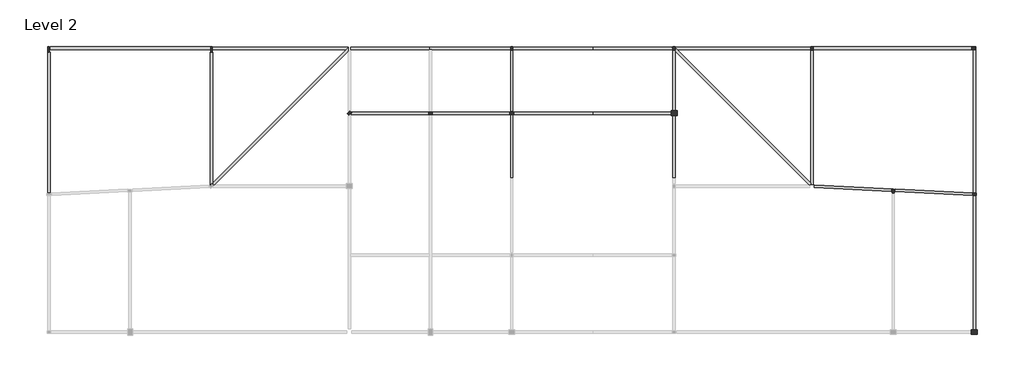
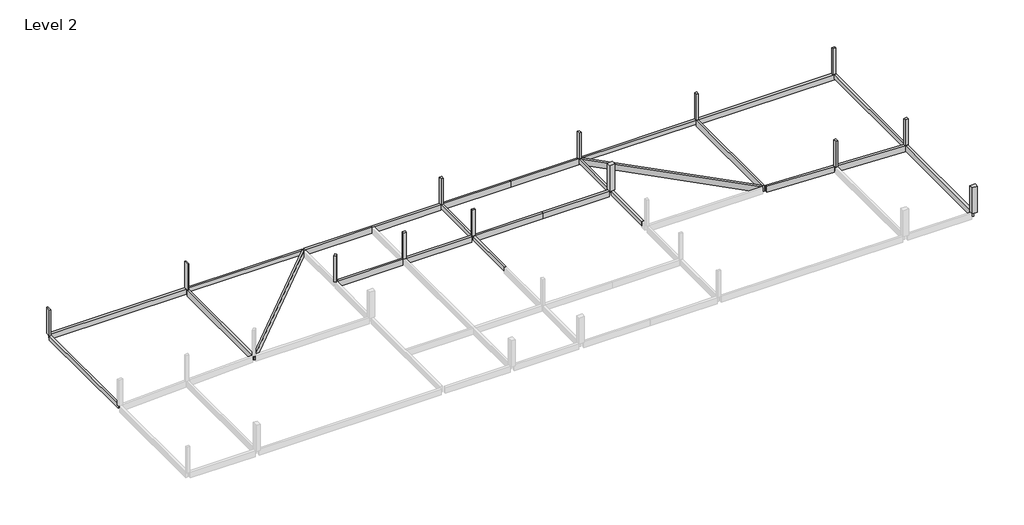
# One storey, part 2 of 2: 22 beams, 13 columns.
"""IFC4 building model written with IfcOpenShell, lengths in millimetres."""

import ifcopenshell
import ifcopenshell.guid

model = None  # the IFC model being written
_history = None  # IfcOwnerHistory: only IFC2X3 demands one
_inside = {}  # id of a spatial element -> (the spatial element, [elements in it])
_under = {}  # id of a project, library or spatial element -> (it, [spatial elements below it])
_declared = {}  # id of a project -> (the project, [libraries it declares])
_typed = {}  # id of a type object -> (the type object, [elements of that type])
_made_of = {}  # id of a material, layer set ... -> (it, [elements and type objects made of it])


def new_model(schema):
    """Start an empty IFC model of exactly this schema.

    Asked for "IFC4X3", IfcOpenShell would pick the latest addendum, in which some entities
    have other attributes; the version numbers below select the first issue.
    IFC2X3 requires an IfcOwnerHistory on every rooted entity: one is made here for all.
    """
    global model, _history
    if schema == "IFC4X3":
        model = ifcopenshell.file(schema_version=(4, 3, 0, 0))
    else:
        model = ifcopenshell.file(schema=schema)
    _inside.clear()
    _under.clear()
    _declared.clear()
    _typed.clear()
    _made_of.clear()
    _history = None
    if model.schema == "IFC2X3":
        org = make("IfcOrganization", Name="unknown")
        user = make(
            "IfcPersonAndOrganization",
            ThePerson=make("IfcPerson", FamilyName="unknown"),
            TheOrganization=org,
        )
        app = make(
            "IfcApplication",
            ApplicationDeveloper=org,
            Version="unknown",
            ApplicationFullName="unknown",
            ApplicationIdentifier="unknown",
        )
        _history = make(
            "IfcOwnerHistory",
            OwningUser=user,
            OwningApplication=app,
            ChangeAction="ADDED",
            CreationDate=0,
        )
    return model


def make(cls, **values):
    """One entity of the class cls with the attributes given. An attribute that is None is left unset."""
    return model.create_entity(
        cls, **{name: value for name, value in values.items() if value is not None}
    )


def rooted(cls, **values):
    """An entity with a GlobalId (a new one), such as an element, a storey or a relation."""
    return make(cls, GlobalId=ifcopenshell.guid.new(), OwnerHistory=_history, **values)


def si_unit(unit_type, name, prefix=None):
    """IfcSIUnit, for example si_unit("LENGTHUNIT", "METRE", prefix="MILLI")."""
    return make("IfcSIUnit", UnitType=unit_type, Prefix=prefix, Name=name)


def assignment(units):
    """IfcUnitAssignment: the units of a project."""
    return None if units is None else make("IfcUnitAssignment", Units=units)


def point(xyz):
    """IfcCartesianPoint."""
    return None if xyz is None else make("IfcCartesianPoint", Coordinates=xyz)


def direction(xyz):
    """IfcDirection."""
    return None if xyz is None else make("IfcDirection", DirectionRatios=xyz)


def frame(location, z_axis=None, x_axis=None):
    """IfcAxis2Placement3D, a coordinate frame: its origin and axes. An axis left out is left unset."""
    return make(
        "IfcAxis2Placement3D",
        Location=point(location),
        Axis=direction(z_axis),
        RefDirection=direction(x_axis),
    )


def origin():
    """The frame at (0, 0, 0) with its axes left unset."""
    return frame((0.0, 0.0, 0.0))


def place(relative_to, where):
    """IfcLocalPlacement: puts the frame where relative to a parent placement (None: the world)."""
    return make(
        "IfcLocalPlacement", PlacementRelTo=relative_to, RelativePlacement=where
    )


def context(
    kind, dimensions, precision=None, world=None, true_north=None, identifier=None
):
    """IfcGeometricRepresentationContext, for example the 3D "Model" context."""
    return make(
        "IfcGeometricRepresentationContext",
        ContextIdentifier=identifier,
        ContextType=kind,
        CoordinateSpaceDimension=dimensions,
        Precision=precision,
        WorldCoordinateSystem=world,
        TrueNorth=true_north,
    )


def project(units=None, contexts=None):
    """IfcProject with its units and contexts."""
    return rooted(
        "IfcProject",
        Name="project",
        RepresentationContexts=contexts,
        UnitsInContext=assignment(units),
    )


def spatial(cls, under=None, at=None, **own):
    """A site, building, storey or space (cls), placed at a placement, below another one or the project."""
    s = rooted(cls, ObjectPlacement=at, **own)
    if under is not None:
        _under.setdefault(under.id(), (under, []))[1].append(s)
    return s


def polyline(points):
    """IfcPolyline through the points."""
    return make("IfcPolyline", Points=[point(p) for p in points])


def outline(outer, holes=None, kind="AREA"):
    """IfcArbitraryClosedProfileDef: a profile drawn as a closed curve; with holes, ...WithVoids."""
    if holes is None:
        return make("IfcArbitraryClosedProfileDef", ProfileType=kind, OuterCurve=outer)
    return make(
        "IfcArbitraryProfileDefWithVoids",
        ProfileType=kind,
        OuterCurve=outer,
        InnerCurves=holes,
    )


def extrude(swept, where, along, depth):
    """IfcExtrudedAreaSolid: the profile swept, set in the frame where, extruded along a direction by depth."""
    return make(
        "IfcExtrudedAreaSolid",
        SweptArea=swept,
        Position=where,
        ExtrudedDirection=direction(along),
        Depth=depth,
    )


def faces_of(points, faces, orient=None, outer=None):
    """IfcFace entities. A face is a list of loops; a loop is a list of indices into points, from 0.

    orient and outer hold one flag for each loop. By default every Orientation is true, the
    first loop of a face is its IfcFaceOuterBound and the others are IfcFaceBound.
    """
    made = []
    for i, loops in enumerate(faces):
        bounds = []
        for j, loop in enumerate(loops):
            is_outer = j == 0 if outer is None else outer[i][j]
            bounds.append(
                make(
                    "IfcFaceOuterBound" if is_outer else "IfcFaceBound",
                    Bound=make("IfcPolyLoop", Polygon=[points[k] for k in loop]),
                    Orientation=True if orient is None else orient[i][j],
                )
            )
        made.append(make("IfcFace", Bounds=bounds))
    return made


def faceted_brep(points, faces, orient=None, outer=None, voids=None):
    """IfcFacetedBrep: a solid bounded by flat faces; with voids (closed shells), ...WithVoids."""
    shared = [point(p) for p in points]
    hull = make("IfcClosedShell", CfsFaces=faces_of(shared, faces, orient, outer))
    if voids is None:
        return make("IfcFacetedBrep", Outer=hull)
    return make(
        "IfcFacetedBrepWithVoids",
        Outer=hull,
        Voids=[
            make(cls, CfsFaces=faces_of(shared, fs, o, b)) for cls, fs, o, b in voids
        ],
    )


def shape(context_of_items, identifier, shape_type, items):
    """IfcShapeRepresentation: the items that make up one representation, for example the "Body"."""
    return make(
        "IfcShapeRepresentation",
        ContextOfItems=context_of_items,
        RepresentationIdentifier=identifier,
        RepresentationType=shape_type,
        Items=items,
    )


def made_of(thing, what):
    """Note that an element or type object is made of a material, layer set ...; save() writes the relation."""
    if what is not None:
        _made_of.setdefault(what.id(), (what, []))[1].append(thing)
    return thing


def element(
    cls,
    number,
    at=None,
    inside=None,
    cuts=None,
    type_object=None,
    material=None,
    context=None,
    identifier="Body",
    shape_type=None,
    held_by="IfcProductDefinitionShape",
    body=None,
    shapes=None,
    **own,
):
    """One element of the class cls, such as IfcWall. Its Tag is "e" and its number.

    at: its placement. inside: the storey or other place that contains it. cuts: it is an
    opening in that element (IfcRelVoidsElement). A single representation is given by context,
    identifier, shape_type and body (its items); several are given by shapes. held_by: the class
    of the entity that holds the representations. save() writes the other relations.
    """
    e = rooted(cls, Tag="e%d" % number, ObjectPlacement=at, **own)
    if body is not None:
        shapes = [shape(context, identifier, shape_type, body)]
    if shapes is not None:
        e.Representation = make(held_by, Representations=shapes)
    if inside is not None:
        _inside.setdefault(inside.id(), (inside, []))[1].append(e)
    if cuts is not None:
        rooted(
            "IfcRelVoidsElement", RelatingBuildingElement=cuts, RelatedOpeningElement=e
        )
    if type_object is not None:
        _typed.setdefault(type_object.id(), (type_object, []))[1].append(e)
    return made_of(e, material)


def aggregate(whole, parts):
    """IfcRelAggregates: a whole, such as a stair, and the parts it consists of."""
    return rooted("IfcRelAggregates", RelatingObject=whole, RelatedObjects=parts)


def save(model, path):
    """Write the relations noted so far, then the file.

    IfcRelAggregates (storeys below a building ...), IfcRelContainedInSpatialStructure (elements
    in a storey), IfcRelDefinesByType, IfcRelAssociatesMaterial and IfcRelDeclares: one each for
    every whole, place, type object, material and project.
    """
    for whole, parts in _under.values():
        aggregate(whole, parts)
    for where, things in _inside.values():
        rooted(
            "IfcRelContainedInSpatialStructure",
            RelatedElements=things,
            RelatingStructure=where,
        )
    for kind, things in _typed.values():
        rooted("IfcRelDefinesByType", RelatedObjects=things, RelatingType=kind)
    for what, things in _made_of.values():
        rooted("IfcRelAssociatesMaterial", RelatedObjects=things, RelatingMaterial=what)
    for by, libraries in _declared.values():
        rooted("IfcRelDeclares", RelatingContext=by, RelatedDefinitions=libraries)
    model.write(path)


model = new_model("IFC4")

# Units and contexts
model_context = context("Model", 3, world=origin())
ifc_project = project(units=[si_unit("LENGTHUNIT", "METRE", prefix="MILLI")], contexts=[model_context])

# Site, building, storey
site = spatial("IfcSite", under=ifc_project)
building = spatial("IfcBuilding", under=site)
storey = spatial("IfcBuildingStorey", under=building, Name="Level 2", Elevation=4000.0)

# Beams
placement = place(None, origin())
element("IfcBeam", 1, ObjectType="M_Concrete-Rectangular Beam : 300 x 600mm", at=placement, inside=storey, context=model_context, shape_type="SweptSolid", body=[
    extrude(outline(polyline([(-15472.6221164, 9458.1174774), (-15172.6221164, 9458.1174774), (-15172.6221164, -7809.1014481), (-15472.6221164, -7824.1014481), (-15472.6221164, 9458.1174774)])), frame((0.0, 0.0, 3400.0), z_axis=(0.0, 0.0, 1.0), x_axis=(1.0, 0.0, 0.0)), (0.0, 0.0, 1.0), 600.0),
])
element("IfcBeam", 2, ObjectType="M_Concrete-Rectangular Beam : 300 x 600mm", at=placement, inside=storey, context=model_context, shape_type="SweptSolid", body=[
    extrude(outline(polyline([(4827.3778836, 9808.1174774), (4827.3778836, 10108.1174774), (21527.3778836, 10108.1174774), (21527.3778836, 10020.2495118), (21315.2458493, 9808.1174774), (4827.3778836, 9808.1174774)])), frame((0.0, 0.0, 3400.0), z_axis=(0.0, 0.0, 1.0), x_axis=(1.0, 0.0, 0.0)), (0.0, 0.0, 1.0), 600.0),
])
element("IfcBeam", 3, ObjectType="M_Concrete-Rectangular Beam : 300 x 600mm", at=placement, inside=storey, context=model_context, shape_type="SweptSolid", body=[
    extrude(outline(polyline([(41827.3778836, -6041.8825226), (41527.3778836, -6041.8825226), (41527.3778836, 1733.1174774), (41827.3778836, 1733.1174774), (41827.3778836, -6041.8825226)])), frame((0.0, 0.0, 3400.0), z_axis=(0.0, 0.0, 1.0), x_axis=(1.0, 0.0, 0.0)), (0.0, 0.0, 1.0), 600.0),
    extrude(outline(polyline([(41527.3778836, 9733.1174774), (41827.3778836, 9733.1174774), (41827.3778836, 2183.1174774), (41527.3778836, 2183.1174774), (41527.3778836, 9733.1174774)])), frame((0.0, 0.0, 3400.0), z_axis=(0.0, 0.0, 1.0), x_axis=(1.0, 0.0, 0.0)), (0.0, 0.0, 1.0), 600.0),
])
element("IfcBeam", 4, ObjectType="M_Concrete-Rectangular Beam : 300 x 600mm", at=placement, inside=storey, context=model_context, shape_type="SweptSolid", body=[
    extrude(outline(polyline([(98527.3778836, 9758.1174774), (98827.3778836, 9758.1174774), (98827.3778836, -7891.8825226), (98681.1255428, -7891.8825226), (98527.3778836, -7884.1951396), (98527.3778836, 9758.1174774)])), frame((0.0, 0.0, 3400.0), z_axis=(0.0, 0.0, 1.0), x_axis=(1.0, 0.0, 0.0)), (0.0, 0.0, 1.0), 600.0),
])
element("IfcBeam", 5, ObjectType="M_Concrete-Rectangular Beam : 300 x 600mm", at=placement, inside=storey, context=model_context, shape_type="SweptSolid", body=[
    extrude(outline(polyline([(78527.3778836, 10108.1174774), (78527.3778836, 9808.1174774), (62039.509918, 9808.1174774), (61827.3778836, 10020.2495118), (61827.3778836, 10108.1174774), (78527.3778836, 10108.1174774)])), frame((0.0, 0.0, 3400.0), z_axis=(0.0, 0.0, 1.0), x_axis=(1.0, 0.0, 0.0)), (0.0, 0.0, 1.0), 600.0),
])
element("IfcBeam", 6, ObjectType="M_Concrete-Rectangular Beam : 300 x 600mm", at=placement, inside=storey, context=model_context, shape_type="SweptSolid", body=[
    extrude(outline(polyline([(61827.3778836, -6041.8825226), (61527.3778836, -6041.8825226), (61527.3778836, 1658.1174774), (61827.3778836, 1658.1174774), (61827.3778836, -6041.8825226)])), frame((0.0, 0.0, 3400.0), z_axis=(0.0, 0.0, 1.0), x_axis=(1.0, 0.0, 0.0)), (0.0, 0.0, 1.0), 600.0),
    extrude(outline(polyline([(61690.2458493, 9733.1174774), (61827.3778836, 9595.9854431), (61827.3778836, 2258.1174774), (61527.3778836, 2258.1174774), (61527.3778836, 9733.1174774), (61690.2458493, 9733.1174774)])), frame((0.0, 0.0, 3400.0), z_axis=(0.0, 0.0, 1.0), x_axis=(1.0, 0.0, 0.0)), (0.0, 0.0, 1.0), 600.0),
])
element("IfcBeam", 7, ObjectType="M_Concrete-Rectangular Beam : 300 x 900mm", at=placement, inside=storey, context=model_context, shape_type="Brep", body=[
    faceted_brep([(4827.3778836, 9458.1174774, 4000.0), (4527.3778836, 9458.1174774, 4000.0), (4527.3778836, -6873.684471, 4000.0), (4730.4108922, -6670.6514625, 4000.0), (4827.3778836, -6767.6184539, 4000.0), (4827.3778836, -6679.7504882, 4000.0), (4527.3778836, 9458.1174774, 3100.0), (4527.3778836, -6873.684471, 3100.0), (4827.3778836, 9458.1174774, 3100.0), (4827.3778836, -6679.7504882, 3100.0), (4827.3778836, -6767.6184539, 3100.0), (4730.4108922, -6670.6514625, 3100.0)], [[[0, 1, 2, 3, 4, 5]], [[1, 6, 7, 2]], [[6, 8, 9, 10, 11, 7]], [[8, 0, 5, 4, 10, 9]], [[1, 0, 8, 6]], [[11, 3, 2, 7]], [[3, 11, 10, 4]]]),
])
element("IfcBeam", 8, ObjectType="M_Concrete-Rectangular Beam : 300 x 900mm", at=placement, inside=storey, context=model_context, shape_type="Brep", body=[
    faceted_brep([(21527.3778836, 10020.2495118, 4000.0), (21315.2458493, 9808.1174774, 4000.0), (4827.3778836, -6679.7504882, 4000.0), (4827.3778836, -6767.6184539, 4000.0), (4995.5759351, -6935.8165054, 4000.0), (5039.509918, -6891.8825226, 4000.0), (21527.3778836, 9595.9854431, 4000.0), (21539.509918, 9608.1174774, 4000.0), (21527.3778836, 9608.1174774, 4000.0), (21539.509918, 9608.1174774, 3100.0), (4995.5759351, -6935.8165054, 3100.0), (5039.509918, -6891.8825226, 3100.0), (21527.3778836, 9595.9854431, 3100.0), (4827.3778836, -6679.7504882, 3100.0), (21527.3778836, 10020.2495118, 3100.0), (21527.3778836, 9608.1174774, 3100.0), (4827.3778836, -6767.6184539, 3100.0), (21527.3778836, 10020.2495118, 3400.0)], [[[0, 1, 2, 3, 4, 5, 6, 7, 8]], [[9, 7, 6, 5, 4, 10, 11, 12]], [[13, 14, 15, 9, 12, 11, 10, 16]], [[13, 2, 1, 0, 17, 14]], [[2, 13, 16, 3]], [[15, 8, 7, 9]], [[8, 15, 14, 17, 0]], [[4, 3, 16, 10]]]),
])
element("IfcBeam", 9, ObjectType="M_Concrete-Rectangular Beam : 300 x 900mm", at=placement, inside=storey, context=model_context, shape_type="Brep", body=[
    faceted_brep([(31527.3778836, 10108.1174774, 4000.0), (31527.3778836, 9808.1174774, 4000.0), (31827.3778836, 9808.1174774, 4000.0), (41527.3778836, 9808.1174774, 4000.0), (41527.3778836, 10108.1174774, 4000.0), (31527.3778836, 9808.1174774, 3100.0), (31827.3778836, 9808.1174774, 3100.0), (41527.3778836, 9808.1174774, 3100.0), (31527.3778836, 10108.1174774, 3100.0), (41527.3778836, 10108.1174774, 3100.0)], [[[0, 1, 2, 3, 4]], [[1, 5, 6, 7, 3, 2]], [[5, 8, 9, 7, 6]], [[8, 0, 4, 9]], [[1, 0, 8, 5]], [[4, 3, 7, 9]]]),
])
element("IfcBeam", 10, ObjectType="M_Concrete-Rectangular Beam : 300 x 900mm", at=placement, inside=storey, context=model_context, shape_type="SweptSolid", body=[
    extrude(outline(polyline([(41377.3778836, 2108.1174774), (41377.3778836, 1808.1174774), (31977.3778836, 1808.1174774), (31977.3778836, 2108.1174774), (41377.3778836, 2108.1174774)])), frame((0.0, 0.0, 3100.0), z_axis=(0.0, 0.0, 1.0), x_axis=(1.0, 0.0, 0.0)), (0.0, 0.0, 1.0), 900.0),
])
element("IfcBeam", 11, ObjectType="M_Concrete-Rectangular Beam : 300 x 900mm", at=placement, inside=storey, context=model_context, shape_type="SweptSolid", body=[
    extrude(outline(polyline([(31527.3778836, 10108.1174774), (31527.3778836, 9808.1174774), (21827.3778836, 9808.1174774), (21827.3778836, 10108.1174774), (31527.3778836, 10108.1174774)])), frame((0.0, 0.0, 3100.0), z_axis=(0.0, 0.0, 1.0), x_axis=(1.0, 0.0, 0.0)), (0.0, 0.0, 1.0), 900.0),
])
element("IfcBeam", 12, ObjectType="M_Concrete-Rectangular Beam : 300 x 900mm", at=placement, inside=storey, context=model_context, shape_type="SweptSolid", body=[
    extrude(outline(polyline([(31377.3778836, 2108.1174774), (31377.3778836, 1808.1174774), (21845.5759351, 1808.1174774), (22048.6089437, 2011.150486), (21951.6419523, 2108.1174774), (31377.3778836, 2108.1174774)])), frame((0.0, 0.0, 3100.0), z_axis=(0.0, 0.0, 1.0), x_axis=(1.0, 0.0, 0.0)), (0.0, 0.0, 1.0), 900.0),
])
element("IfcBeam", 13, ObjectType="M_Concrete-Rectangular Beam : 300 x 900mm", at=placement, inside=storey, context=model_context, shape_type="Brep", body=[
    faceted_brep([(78827.3778836, 9733.1174774, 4000.0), (78527.3778836, 9733.1174774, 4000.0), (78527.3778836, -6679.7504882, 4000.0), (78527.3778836, -6816.8825226, 4000.0), (78827.3778836, -6816.8825226, 4000.0), (78827.3778836, 9733.1174774, 3100.0), (78827.3778836, -6816.8825226, 3100.0), (78527.3778836, 9733.1174774, 3100.0), (78527.3778836, -6816.8825226, 3100.0), (78527.3778836, -6679.7504882, 3100.0)], [[[0, 1, 2, 3, 4]], [[5, 0, 4, 6]], [[7, 5, 6, 8, 9]], [[1, 7, 9, 8, 3, 2]], [[1, 0, 5, 7]], [[4, 3, 8, 6]]]),
])
element("IfcBeam", 14, ObjectType="M_Concrete-Rectangular Beam : 300 x 900mm", at=placement, inside=storey, context=model_context, shape_type="Brep", body=[
    faceted_brep([(61527.3778836, 10108.1174774, 4000.0), (61315.2458493, 10108.1174774, 4000.0), (61527.3778836, 9895.9854431, 4000.0), (61315.2458493, 10108.1174774, 3100.0), (61527.3778836, 9895.9854431, 3100.0), (61527.3778836, 10108.1174774, 3100.0)], [[[0, 1, 2]], [[1, 3, 4, 2]], [[3, 5, 4]], [[3, 1, 0, 5]], [[0, 2, 4, 5]]]),
    faceted_brep([(78527.3778836, -6679.7504882, 4000.0), (78527.3778836, -6679.7504882, 3100.0), (61827.3778836, 10020.2495118, 3100.0), (61827.3778836, 10020.2495118, 3400.0), (61827.3778836, 10020.2495118, 4000.0), (62039.509918, 9808.1174774, 4000.0), (78527.3778836, -6816.8825226, 4000.0), (78527.3778836, -6816.8825226, 3100.0), (61827.3778836, 9733.1174774, 3100.0), (61827.3778836, 9733.1174774, 4000.0), (61690.2458493, 9733.1174774, 3100.0), (61690.2458493, 9733.1174774, 3400.0), (61690.2458493, 9733.1174774, 4000.0), (61827.3778836, 9595.9854431, 4000.0), (78315.2458493, -6891.8825226, 4000.0), (78377.3778836, -6954.0145569, 4000.0), (78377.3778836, -6816.8825226, 4000.0), (78315.2458493, -6891.8825226, 3100.0), (78377.3778836, -6954.0145569, 3100.0), (78377.3778836, -6816.8825226, 3100.0)], [[[0, 1, 2, 3, 4, 5]], [[1, 0, 6, 7]], [[8, 9, 4, 3, 2]], [[9, 8, 10, 11, 12]], [[4, 9, 12, 13, 14, 15, 16, 6, 0, 5]], [[12, 11, 10, 17, 18, 15, 14, 13]], [[8, 2, 1, 7, 19, 18, 17, 10]], [[16, 19, 7, 6]], [[19, 16, 15, 18]]]),
])
element("IfcBeam", 15, ObjectType="M_Concrete-Rectangular Beam : 300 x 900mm", at=placement, inside=storey, context=model_context, shape_type="Brep", body=[
    faceted_brep([(88452.3778836, -7680.8199055, 4000.0), (88452.3778836, -7392.0699055, 4000.0), (88684.873202, -7392.0699055, 4000.0), (78977.3778836, -6906.6951396, 4000.0), (78977.3778836, -7207.0699055, 4000.0), (88452.3778836, -7680.8199055, 3100.0), (78977.3778836, -7207.0699055, 3100.0), (88452.3778836, -7392.0699055, 3100.0), (78977.3778836, -6906.6951396, 3100.0), (88684.873202, -7392.0699055, 3100.0)], [[[0, 1, 2, 3, 4]], [[5, 0, 4, 6]], [[7, 5, 6, 8, 9]], [[2, 9, 8, 3]], [[7, 1, 0, 5]], [[1, 7, 9, 2]], [[4, 3, 8, 6]]]),
    faceted_brep([(98827.3778836, -8199.5699055, 4000.0), (98827.3778836, -8199.5699055, 3100.0), (98827.3778836, -8191.8825226, 3100.0), (98827.3778836, -8191.8825226, 4000.0), (98673.6302244, -8191.8825226, 4000.0), (98673.6302244, -8191.8825226, 3100.0)], [[[0, 1, 2, 3]], [[4, 3, 2, 5]], [[0, 3, 4]], [[1, 0, 4, 5]], [[2, 1, 5]]]),
    faceted_brep([(98452.3778836, -7891.8825226, 4000.0), (98452.3778836, -7891.8825226, 3100.0), (98681.1255428, -7891.8825226, 3100.0), (98681.1255428, -7891.8825226, 3400.0), (98681.1255428, -7891.8825226, 4000.0), (98452.3778836, -8180.8199055, 4000.0), (98452.3778836, -8180.8199055, 3100.0), (88902.3778836, -7703.3199055, 4000.0), (88902.3778836, -7402.9451396, 4000.0), (88902.3778836, -7402.9451396, 3100.0), (88902.3778836, -7703.3199055, 3100.0), (98527.3778836, -7884.1951396, 4000.0)], [[[0, 1, 2, 3, 4]], [[1, 0, 5, 6]], [[7, 8, 9, 10]], [[0, 4, 11, 8, 7, 5]], [[6, 5, 7, 10]], [[2, 1, 6, 10, 9]], [[4, 3, 2, 9, 8, 11]]]),
])
element("IfcBeam", 16, ObjectType="M_Concrete-Rectangular Beam : 300 x 900mm", at=placement, inside=storey, context=model_context, shape_type="SweptSolid", body=[
    extrude(outline(polyline([(98673.6302244, -8191.8825226), (98827.3778836, -8199.5699055), (98827.3778836, -24741.8825226), (98527.3778836, -24741.8825226), (98527.3778836, -8191.8825226), (98673.6302244, -8191.8825226)])), frame((0.0, 0.0, 3100.0), z_axis=(0.0, 0.0, 1.0), x_axis=(1.0, 0.0, 0.0)), (0.0, 0.0, 1.0), 900.0),
])
element("IfcBeam", 17, ObjectType="M_Concrete-Rectangular Beam : 300 x 900mm", at=placement, inside=storey, context=model_context, shape_type="SweptSolid", body=[
    extrude(outline(polyline([(51677.3778836, 10108.1174774), (51677.3778836, 9808.1174774), (41827.3778836, 9808.1174774), (41827.3778836, 10108.1174774), (51677.3778836, 10108.1174774)])), frame((0.0, 0.0, 3100.0), z_axis=(0.0, 0.0, 1.0), x_axis=(1.0, 0.0, 0.0)), (0.0, 0.0, 1.0), 900.0),
])
element("IfcBeam", 18, ObjectType="M_Concrete-Rectangular Beam : 300 x 900mm", at=placement, inside=storey, context=model_context, shape_type="SweptSolid", body=[
    extrude(outline(polyline([(51677.3778836, 2108.1174774), (51677.3778836, 1808.1174774), (41977.3778836, 1808.1174774), (41977.3778836, 2108.1174774), (51677.3778836, 2108.1174774)])), frame((0.0, 0.0, 3100.0), z_axis=(0.0, 0.0, 1.0), x_axis=(1.0, 0.0, 0.0)), (0.0, 0.0, 1.0), 900.0),
])
element("IfcBeam", 19, ObjectType="M_Concrete-Rectangular Beam : 300 x 900mm", at=placement, inside=storey, context=model_context, shape_type="SweptSolid", body=[
    extrude(outline(polyline([(51677.3778836, 9808.1174774), (51677.3778836, 10108.1174774), (61315.2458493, 10108.1174774), (61527.3778836, 9895.9854431), (61527.3778836, 9808.1174774), (51677.3778836, 9808.1174774)])), frame((0.0, 0.0, 3100.0), z_axis=(0.0, 0.0, 1.0), x_axis=(1.0, 0.0, 0.0)), (0.0, 0.0, 1.0), 900.0),
])
element("IfcBeam", 20, ObjectType="M_Concrete-Rectangular Beam : 300 x 900mm", at=placement, inside=storey, context=model_context, shape_type="SweptSolid", body=[
    extrude(outline(polyline([(51677.3778836, 1808.1174774), (51677.3778836, 2108.1174774), (61302.3778836, 2108.1174774), (61302.3778836, 1808.1174774), (51677.3778836, 1808.1174774)])), frame((0.0, 0.0, 3100.0), z_axis=(0.0, 0.0, 1.0), x_axis=(1.0, 0.0, 0.0)), (0.0, 0.0, 1.0), 900.0),
])
element("IfcBeam", 21, ObjectType="M_Concrete-Rectangular Beam : 400 x 800mm", at=placement, inside=storey, context=model_context, shape_type="SweptSolid", body=[
    extrude(outline(polyline([(4527.3778836, 10158.1174774), (4527.3778836, 9758.1174774), (-15172.6221164, 9758.1174774), (-15172.6221164, 10158.1174774), (4527.3778836, 10158.1174774)])), frame((0.0, 0.0, 3200.0), z_axis=(0.0, 0.0, 1.0), x_axis=(1.0, 0.0, 0.0)), (0.0, 0.0, 1.0), 800.0),
])
element("IfcBeam", 22, ObjectType="M_Concrete-Rectangular Beam : 400 x 800mm", at=placement, inside=storey, context=model_context, shape_type="Brep", body=[
    faceted_brep([(78827.3778836, 10158.1174774, 4000.0), (78827.3778836, 9758.1174774, 4000.0), (98527.3778836, 9758.1174774, 4000.0), (98827.3778836, 9758.1174774, 4000.0), (98827.3778836, 10158.1174774, 4000.0), (98352.3778836, 10108.1174774, 4000.0), (98802.3778836, 10108.1174774, 4000.0), (98802.3778836, 9808.1174774, 4000.0), (98352.3778836, 9808.1174774, 4000.0), (78827.3778836, 9758.1174774, 3200.0), (98827.3778836, 9758.1174774, 3200.0), (98827.3778836, 9758.1174774, 3400.0), (78827.3778836, 10158.1174774, 3200.0), (98827.3778836, 10158.1174774, 3200.0), (98802.3778836, 10108.1174774, 3200.0), (98352.3778836, 10108.1174774, 3200.0), (98352.3778836, 9808.1174774, 3200.0), (98802.3778836, 9808.1174774, 3200.0)], [[[0, 1, 2, 3, 4], [5, 6, 7, 8]], [[1, 9, 10, 11, 3, 2]], [[9, 12, 13, 10], [14, 15, 16, 17]], [[4, 13, 12, 0]], [[1, 0, 12, 9]], [[4, 3, 11, 10, 13]], [[14, 6, 5, 15]], [[6, 14, 17, 7]], [[7, 17, 16, 8]], [[8, 16, 15, 5]]]),
])

# Columns
element("IfcColumn", 23, ObjectType="M_Concrete-Rectangular-Column : 200 x 700mm", at=placement, inside=storey, context=model_context, shape_type="Brep", body=[
    faceted_brep([(-15272.6221164, 10158.1174774, 4000.0), (-15272.6221164, 9458.1174774, 4000.0), (-15472.6221164, 9458.1174774, 4000.0), (-15472.6221164, 10158.1174774, 4000.0), (-15272.6221164, 10158.1174774, 8000.0), (-15272.6221164, 9458.1174774, 8000.0), (-15272.6221164, 9458.1174774, 7000.0), (-15272.6221164, 9458.1174774, 6400.0), (-15272.6221164, 10158.1174774, 6200.0), (-15272.6221164, 10158.1174774, 7000.0), (-15472.6221164, 9458.1174774, 8000.0), (-15472.6221164, 9458.1174774, 7000.0), (-15472.6221164, 9458.1174774, 6400.0), (-15472.6221164, 10158.1174774, 8000.0)], [[[0, 1, 2, 3]], [[4, 5, 6, 7, 1, 0, 8, 9]], [[5, 10, 11, 12, 2, 1, 7, 6]], [[10, 13, 3, 2, 12, 11]], [[13, 4, 9, 8, 0, 3]], [[4, 13, 10, 5]]]),
])
element("IfcColumn", 24, ObjectType="M_Concrete-Rectangular-Column : 200 x 700mm", at=placement, inside=storey, context=model_context, shape_type="Brep", body=[
    faceted_brep([(4777.3778836, 10158.1174774, 4000.0), (4777.3778836, 9458.1174774, 4000.0), (4577.3778836, 9458.1174774, 4000.0), (4577.3778836, 10158.1174774, 4000.0), (4777.3778836, 10158.1174774, 8000.0), (4777.3778836, 9458.1174774, 8000.0), (4777.3778836, 9458.1174774, 7000.0), (4777.3778836, 9458.1174774, 6100.0), (4777.3778836, 10158.1174774, 6100.0), (4777.3778836, 10158.1174774, 7000.0), (4577.3778836, 9458.1174774, 8000.0), (4577.3778836, 9458.1174774, 7000.0), (4577.3778836, 9458.1174774, 6100.0), (4577.3778836, 10158.1174774, 8000.0), (4577.3778836, 10158.1174774, 7000.0), (4577.3778836, 10158.1174774, 6100.0)], [[[0, 1, 2, 3]], [[4, 5, 6, 7, 1, 0, 8, 9]], [[5, 10, 11, 12, 2, 1, 7, 6]], [[10, 13, 14, 15, 3, 2, 12, 11]], [[13, 4, 9, 8, 0, 3, 15, 14]], [[4, 13, 10, 5]]]),
])
element("IfcColumn", 25, ObjectType="M_Concrete-Rectangular-Column : 300 x 450mm", at=placement, inside=storey, context=model_context, shape_type="Brep", body=[
    faceted_brep([(41827.3778836, 10183.1174774, 4000.0), (41827.3778836, 9733.1174774, 4000.0), (41527.3778836, 9733.1174774, 4000.0), (41527.3778836, 10183.1174774, 4000.0), (41827.3778836, 10183.1174774, 8000.0), (41827.3778836, 9733.1174774, 8000.0), (41827.3778836, 9733.1174774, 7000.0), (41827.3778836, 9733.1174774, 6400.0), (41527.3778836, 9733.1174774, 8000.0), (41527.3778836, 9733.1174774, 7000.0), (41527.3778836, 9733.1174774, 6400.0), (41527.3778836, 10183.1174774, 8000.0)], [[[0, 1, 2, 3]], [[4, 5, 6, 7, 1, 0]], [[5, 8, 9, 10, 2, 1, 7, 6]], [[8, 11, 3, 2, 10, 9]], [[11, 4, 0, 3]], [[4, 11, 8, 5]]]),
])
element("IfcColumn", 26, ObjectType="M_Concrete-Rectangular-Column : 300 x 450mm", at=placement, inside=storey, context=model_context, shape_type="Brep", body=[
    faceted_brep([(61827.3778836, 10183.1174774, 4000.0), (61827.3778836, 9733.1174774, 4000.0), (61527.3778836, 9733.1174774, 4000.0), (61527.3778836, 10183.1174774, 4000.0), (61827.3778836, 10183.1174774, 8000.0), (61827.3778836, 9733.1174774, 8000.0), (61827.3778836, 9733.1174774, 7000.0), (61827.3778836, 9733.1174774, 6100.0), (61527.3778836, 9733.1174774, 8000.0), (61527.3778836, 9733.1174774, 7000.0), (61527.3778836, 9733.1174774, 6400.0), (61527.3778836, 10183.1174774, 8000.0)], [[[0, 1, 2, 3]], [[4, 5, 6, 7, 1, 0]], [[5, 8, 9, 10, 2, 1, 7, 6]], [[8, 11, 3, 2, 10, 9]], [[11, 4, 0, 3]], [[4, 11, 8, 5]]]),
])
element("IfcColumn", 27, ObjectType="M_Concrete-Rectangular-Column : 300 x 450mm", at=placement, inside=storey, context=model_context, shape_type="Brep", body=[
    faceted_brep([(78827.3778836, 10183.1174774, 4000.0), (78827.3778836, 9733.1174774, 4000.0), (78527.3778836, 9733.1174774, 4000.0), (78527.3778836, 10183.1174774, 4000.0), (78827.3778836, 10183.1174774, 8000.0), (78827.3778836, 9733.1174774, 8000.0), (78827.3778836, 9733.1174774, 7000.0), (78827.3778836, 9733.1174774, 6100.0), (78527.3778836, 9733.1174774, 8000.0), (78527.3778836, 9733.1174774, 7000.0), (78527.3778836, 9733.1174774, 6100.0), (78527.3778836, 10183.1174774, 8000.0)], [[[0, 1, 2, 3]], [[4, 5, 6, 7, 1, 0]], [[5, 8, 9, 10, 2, 1, 7, 6]], [[8, 11, 3, 2, 10, 9]], [[11, 4, 0, 3]], [[4, 11, 8, 5]]]),
])
element("IfcColumn", 28, ObjectType="M_Concrete-Rectangular-Column : 300 x 450mm", at=placement, inside=storey, context=model_context, shape_type="Brep", body=[
    faceted_brep([(98352.3778836, 10108.1174774, 4000.0), (98802.3778836, 10108.1174774, 4000.0), (98802.3778836, 9808.1174774, 4000.0), (98352.3778836, 9808.1174774, 4000.0), (98352.3778836, 10108.1174774, 8000.0), (98802.3778836, 10108.1174774, 8000.0), (98802.3778836, 10108.1174774, 7000.0), (98802.3778836, 10108.1174774, 6200.0), (98352.3778836, 10108.1174774, 6200.0), (98352.3778836, 10108.1174774, 7000.0), (98802.3778836, 9808.1174774, 8000.0), (98802.3778836, 9808.1174774, 7000.0), (98802.3778836, 9808.1174774, 6200.0), (98352.3778836, 9808.1174774, 8000.0), (98352.3778836, 9808.1174774, 7000.0), (98352.3778836, 9808.1174774, 6200.0)], [[[0, 1, 2, 3]], [[4, 5, 6, 7, 1, 0, 8, 9]], [[5, 10, 11, 12, 2, 1, 7, 6]], [[10, 13, 14, 15, 3, 2, 12, 11]], [[13, 4, 9, 8, 0, 3, 15, 14]], [[4, 13, 10, 5]]]),
])
element("IfcColumn", 29, ObjectType="M_Concrete-Rectangular-Column : 300 x 450mm", at=placement, inside=storey, context=model_context, shape_type="Brep", body=[
    faceted_brep([(98452.3778836, -7891.8825226, 4000.0), (98902.3778836, -7891.8825226, 4000.0), (98902.3778836, -8191.8825226, 4000.0), (98452.3778836, -8191.8825226, 4000.0), (98452.3778836, -7891.8825226, 8000.0), (98902.3778836, -7891.8825226, 8000.0), (98452.3778836, -7891.8825226, 6100.0), (98452.3778836, -7891.8825226, 7000.0), (98902.3778836, -8191.8825226, 8000.0), (98452.3778836, -8191.8825226, 8000.0)], [[[0, 1, 2, 3]], [[4, 5, 1, 0, 6, 7]], [[5, 8, 2, 1]], [[8, 9, 3, 2]], [[9, 4, 7, 6, 0, 3]], [[4, 9, 8, 5]]]),
])
element("IfcColumn", 30, ObjectType="M_Concrete-Rectangular-Column : 300 x 450mm", at=placement, inside=storey, context=model_context, shape_type="Brep", body=[
    faceted_brep([(88827.3778836, -7467.0699055, 4000.0), (88827.3778836, -7917.0699055, 4000.0), (88527.3778836, -7917.0699055, 4000.0), (88527.3778836, -7467.0699055, 4000.0), (88827.3778836, -7467.0699055, 8000.0), (88827.3778836, -7917.0699055, 8000.0), (88827.3778836, -7917.0699055, 7000.0), (88827.3778836, -7917.0699055, 6100.0), (88827.3778836, -7467.0699055, 6100.0), (88827.3778836, -7467.0699055, 7000.0), (88527.3778836, -7917.0699055, 8000.0), (88527.3778836, -7917.0699055, 7000.0), (88527.3778836, -7917.0699055, 6100.0), (88527.3778836, -7467.0699055, 8000.0), (88527.3778836, -7467.0699055, 7000.0), (88527.3778836, -7467.0699055, 6100.0)], [[[0, 1, 2, 3]], [[4, 5, 6, 7, 1, 0, 8, 9]], [[5, 10, 11, 12, 2, 1, 7, 6]], [[10, 13, 14, 15, 3, 2, 12, 11]], [[13, 4, 9, 8, 0, 3, 15, 14]], [[4, 13, 10, 5]]]),
])
element("IfcColumn", 31, ObjectType="M_Concrete-Rectangular-Column : 300 x 450mm", at=placement, inside=storey, context=model_context, shape_type="SweptSolid", body=[
    extrude(outline(polyline([(41902.3778836, 1808.1174774), (41452.3778836, 1808.1174774), (41452.3778836, 2108.1174774), (41902.3778836, 2108.1174774), (41902.3778836, 1808.1174774)])), frame((0.0, 0.0, 4000.0), z_axis=(0.0, 0.0, 1.0), x_axis=(1.0, 0.0, 0.0)), (0.0, 0.0, 1.0), 4000.0),
])
element("IfcColumn", 32, ObjectType="M_Concrete-Rectangular-Column : 300 x 450mm", at=placement, inside=storey, context=model_context, shape_type="SweptSolid", body=[
    extrude(outline(polyline([(31902.3778836, 1808.1174774), (31452.3778836, 1808.1174774), (31452.3778836, 2108.1174774), (31902.3778836, 2108.1174774), (31902.3778836, 1808.1174774)])), frame((0.0, 0.0, 4000.0), z_axis=(0.0, 0.0, 1.0), x_axis=(1.0, 0.0, 0.0)), (0.0, 0.0, 1.0), 4000.0),
])
element("IfcColumn", 33, ObjectType="M_Concrete-Rectangular-Column : 300 x 450mm", at=placement, inside=storey, context=model_context, shape_type="Brep", body=[
    faceted_brep([(21942.5429266, 2011.150486, 4000.0), (21624.344875, 1692.9524345, 4000.0), (21412.2128407, 1905.0844688, 4000.0), (21730.4108922, 2223.2825204, 4000.0), (21942.5429266, 2011.150486, 8000.0), (21624.344875, 1692.9524345, 8000.0), (21624.344875, 1692.9524345, 7000.0), (21624.344875, 1692.9524345, 6100.0), (21942.5429266, 2011.150486, 6100.0), (21942.5429266, 2011.150486, 7000.0), (21412.2128407, 1905.0844688, 8000.0), (21730.4108922, 2223.2825204, 8000.0), (21730.4108922, 2223.2825204, 7000.0), (21730.4108922, 2223.2825204, 6100.0)], [[[0, 1, 2, 3]], [[4, 5, 6, 7, 1, 0, 8, 9]], [[5, 10, 2, 1, 7, 6]], [[10, 11, 12, 13, 3, 2]], [[11, 4, 9, 8, 0, 3, 13, 12]], [[4, 11, 10, 5]]]),
])
element("IfcColumn", 34, ObjectType="M_Concrete-Rectangular-Column : 600 x 750mm", at=placement, inside=storey, context=model_context, shape_type="SweptSolid", body=[
    extrude(outline(polyline([(98302.3778836, -24741.8825226), (99052.3778836, -24741.8825226), (99052.3778836, -25341.8825226), (98302.3778836, -25341.8825226), (98302.3778836, -24741.8825226)])), frame((0.0, 0.0, 4000.0), z_axis=(0.0, 0.0, 1.0), x_axis=(1.0, 0.0, 0.0)), (0.0, 0.0, 1.0), 4000.0),
])
element("IfcColumn", 35, ObjectType="M_Concrete-Rectangular-Column : 600 x 750mm", at=placement, inside=storey, context=model_context, shape_type="SweptSolid", body=[
    extrude(outline(polyline([(61302.3778836, 2258.1174774), (62052.3778836, 2258.1174774), (62052.3778836, 1658.1174774), (61302.3778836, 1658.1174774), (61302.3778836, 2258.1174774)])), frame((0.0, 0.0, 4000.0), z_axis=(0.0, 0.0, 1.0), x_axis=(1.0, 0.0, 0.0)), (0.0, 0.0, 1.0), 4000.0),
])

save(model, "model.ifc")
